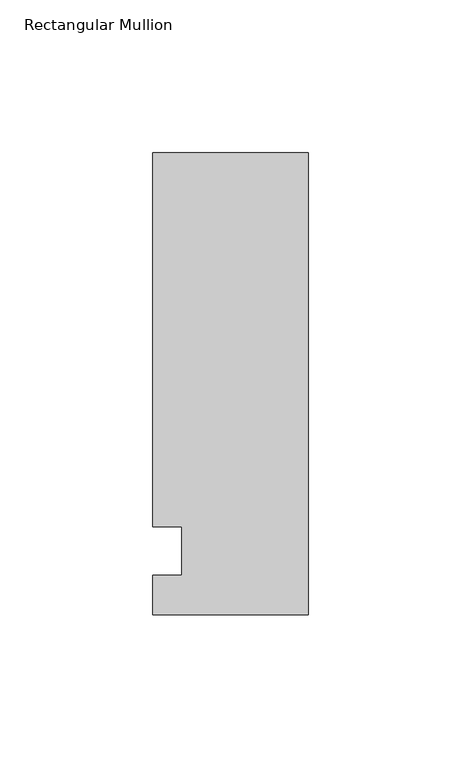
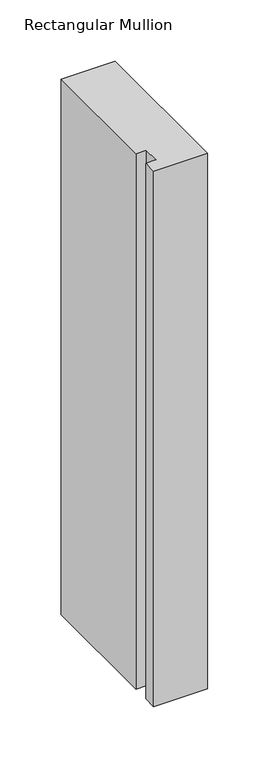
"""IFC4 building model written with IfcOpenShell, lengths in millimetres: member geometry, Rectangular Mullion."""

from ifc_helpers import new_model, si_unit, frame, origin, place, context, project, spatial, polyline, outline, extrude, source, transform, mapped, element, save


def rectangular_mullion_3e37f774(model_context):
    return source(origin(), model_context, "Body", "SweptSolid", [
        extrude(outline(polyline([(-50.8, -25.5984375), (-50.8, -12.7), (-41.275, -12.7), (-41.275, 3.175), (-50.8, 3.175), (-50.8, 125.6109375), (0.0, 125.6109375), (0.0, -25.5984375), (-50.8, -25.5984375)])), frame((0.0, 0.0, -533.4), z_axis=(0.0, 0.0, 1.0), x_axis=(1.0, 0.0, 0.0)), (0.0, 0.0, 1.0), 533.4),
    ])


if __name__ == "__main__":
    model = new_model("IFC4")
    model_context = context("Model", 3, world=origin())
    ifc_project = project(units=[si_unit("LENGTHUNIT", "METRE", prefix="MILLI")], contexts=[model_context])
    site = spatial("IfcSite", under=ifc_project)
    building = spatial("IfcBuilding", under=site)
    placement = place(None, origin())
    rectangular_mullion_shape = rectangular_mullion_3e37f774(model_context)
    element("IfcMember", 1, ObjectType="Rectangular Mullion", at=placement, inside=building, context=model_context, shape_type="MappedRepresentation", body=[
        mapped(rectangular_mullion_shape, transform((0.0, 0.0, 0.0), x_axis=(1.0, 0.0, 0.0), y_axis=(0.0, 1.0, 0.0), z_axis=(0.0, 0.0, 1.0))),
    ])
    save(model, "model.ifc")
